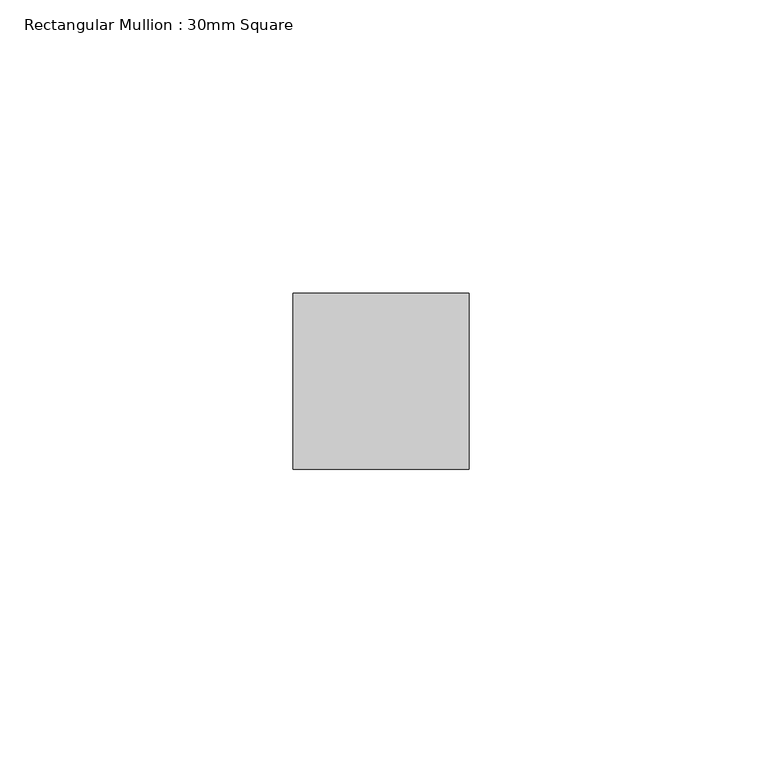
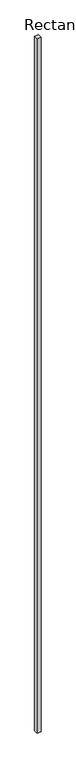
"""IFC4 building model written with IfcOpenShell, lengths in millimetres: member geometry, Rectangular Mullion : 30mm Square."""

from ifc_helpers import new_model, si_unit, frame, origin, place, context, project, spatial, polyline, outline, extrude, source, transform, mapped, element, save


def rectangular_mullion_30mm_square_b31bafa8(model_context):
    return source(origin(), model_context, "Body", "SweptSolid", [
        extrude(outline(polyline([(15.0, 15.0), (15.0, -15.0), (-15.0, -15.0), (-15.0, 15.0), (15.0, 15.0)])), frame((0.0, 0.0, -5470.0), z_axis=(0.0, 0.0, 1.0), x_axis=(1.0, 0.0, 0.0)), (0.0, 0.0, 1.0), 5470.0),
    ])


if __name__ == "__main__":
    model = new_model("IFC4")
    model_context = context("Model", 3, world=origin())
    ifc_project = project(units=[si_unit("LENGTHUNIT", "METRE", prefix="MILLI")], contexts=[model_context])
    site = spatial("IfcSite", under=ifc_project)
    building = spatial("IfcBuilding", under=site)
    placement = place(None, origin())
    rectangular_mullion_30mm_square_shape = rectangular_mullion_30mm_square_b31bafa8(model_context)
    element("IfcMember", 1, ObjectType="Rectangular Mullion : 30mm Square", at=placement, inside=building, context=model_context, shape_type="MappedRepresentation", body=[
        mapped(rectangular_mullion_30mm_square_shape, transform((0.0, 0.0, 0.0), x_axis=(1.0, 0.0, 0.0), y_axis=(0.0, 1.0, 0.0), z_axis=(0.0, 0.0, 1.0))),
    ])
    save(model, "model.ifc")
